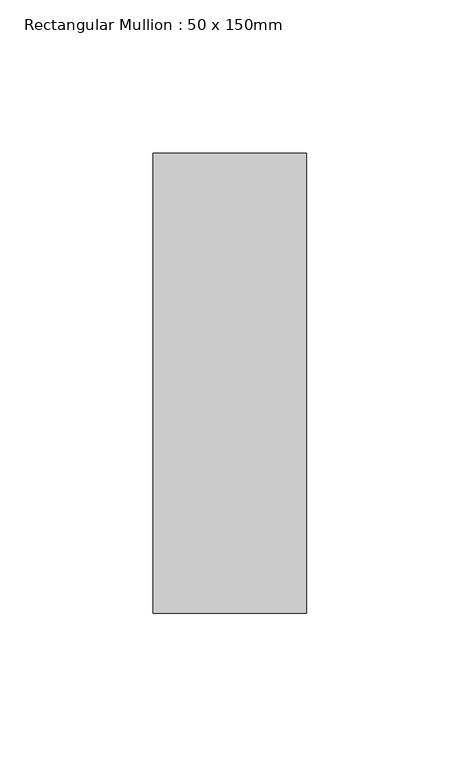
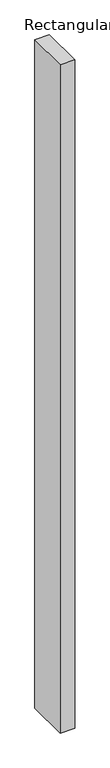
"""IFC4 building model written with IfcOpenShell, lengths in millimetres: member geometry, Rectangular Mullion : 50 x 150mm."""

from ifc_helpers import new_model, si_unit, frame, origin, place, context, project, spatial, polyline, outline, extrude, source, transform, mapped, element, save


def rectangular_mullion_50_x_150mm_fd5e96fe(model_context):
    return source(origin(), model_context, "Body", "SweptSolid", [
        extrude(outline(polyline([(0.0, 75.0), (0.0, -75.0), (-50.0, -75.0), (-50.0, 75.0), (0.0, 75.0)])), frame((0.0, 0.0, -2425.0), z_axis=(0.0, 0.0, 1.0), x_axis=(1.0, 0.0, 0.0)), (0.0, 0.0, 1.0), 2425.0),
    ])


if __name__ == "__main__":
    model = new_model("IFC4")
    model_context = context("Model", 3, world=origin())
    ifc_project = project(units=[si_unit("LENGTHUNIT", "METRE", prefix="MILLI")], contexts=[model_context])
    site = spatial("IfcSite", under=ifc_project)
    building = spatial("IfcBuilding", under=site)
    placement = place(None, origin())
    rectangular_mullion_50_x_150mm_shape = rectangular_mullion_50_x_150mm_fd5e96fe(model_context)
    element("IfcMember", 1, ObjectType="Rectangular Mullion : 50 x 150mm", at=placement, inside=building, context=model_context, shape_type="MappedRepresentation", body=[
        mapped(rectangular_mullion_50_x_150mm_shape, transform((0.0, 0.0, 0.0), x_axis=(1.0, 0.0, 0.0), y_axis=(0.0, 1.0, 0.0), z_axis=(0.0, 0.0, 1.0))),
    ])
    save(model, "model.ifc")
